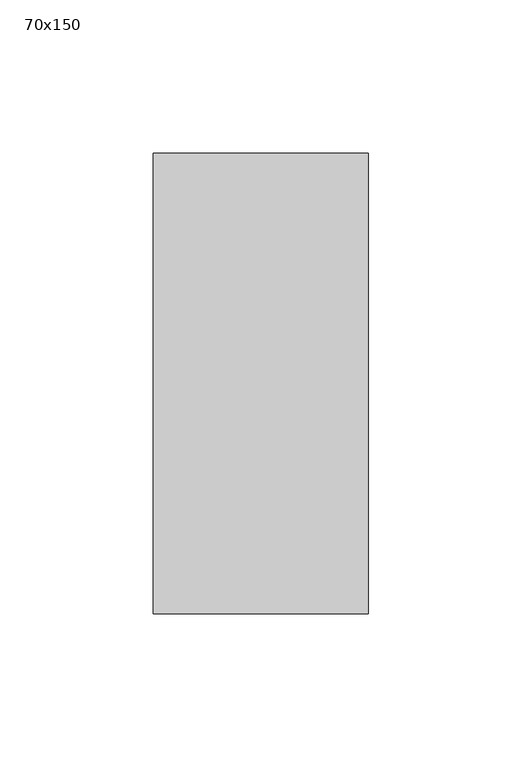
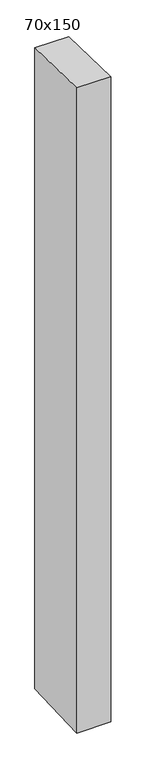
"""IFC4 building model written with IfcOpenShell, lengths in millimetres: member geometry, 70x150."""

import ifcopenshell
import ifcopenshell.guid

model = None  # the IFC model being written
_history = None  # IfcOwnerHistory: only IFC2X3 demands one
_inside = {}  # id of a spatial element -> (the spatial element, [elements in it])
_under = {}  # id of a project, library or spatial element -> (it, [spatial elements below it])
_declared = {}  # id of a project -> (the project, [libraries it declares])
_typed = {}  # id of a type object -> (the type object, [elements of that type])
_made_of = {}  # id of a material, layer set ... -> (it, [elements and type objects made of it])


def new_model(schema):
    """Start an empty IFC model of exactly this schema.

    Asked for "IFC4X3", IfcOpenShell would pick the latest addendum, in which some entities
    have other attributes; the version numbers below select the first issue.
    IFC2X3 requires an IfcOwnerHistory on every rooted entity: one is made here for all.
    """
    global model, _history
    if schema == "IFC4X3":
        model = ifcopenshell.file(schema_version=(4, 3, 0, 0))
    else:
        model = ifcopenshell.file(schema=schema)
    _inside.clear()
    _under.clear()
    _declared.clear()
    _typed.clear()
    _made_of.clear()
    _history = None
    if model.schema == "IFC2X3":
        org = make("IfcOrganization", Name="unknown")
        user = make(
            "IfcPersonAndOrganization",
            ThePerson=make("IfcPerson", FamilyName="unknown"),
            TheOrganization=org,
        )
        app = make(
            "IfcApplication",
            ApplicationDeveloper=org,
            Version="unknown",
            ApplicationFullName="unknown",
            ApplicationIdentifier="unknown",
        )
        _history = make(
            "IfcOwnerHistory",
            OwningUser=user,
            OwningApplication=app,
            ChangeAction="ADDED",
            CreationDate=0,
        )
    return model


def make(cls, **values):
    """One entity of the class cls with the attributes given. An attribute that is None is left unset."""
    return model.create_entity(
        cls, **{name: value for name, value in values.items() if value is not None}
    )


def rooted(cls, **values):
    """An entity with a GlobalId (a new one), such as an element, a storey or a relation."""
    return make(cls, GlobalId=ifcopenshell.guid.new(), OwnerHistory=_history, **values)


def si_unit(unit_type, name, prefix=None):
    """IfcSIUnit, for example si_unit("LENGTHUNIT", "METRE", prefix="MILLI")."""
    return make("IfcSIUnit", UnitType=unit_type, Prefix=prefix, Name=name)


def assignment(units):
    """IfcUnitAssignment: the units of a project."""
    return None if units is None else make("IfcUnitAssignment", Units=units)


def point(xyz):
    """IfcCartesianPoint."""
    return None if xyz is None else make("IfcCartesianPoint", Coordinates=xyz)


def direction(xyz):
    """IfcDirection."""
    return None if xyz is None else make("IfcDirection", DirectionRatios=xyz)


def frame(location, z_axis=None, x_axis=None):
    """IfcAxis2Placement3D, a coordinate frame: its origin and axes. An axis left out is left unset."""
    return make(
        "IfcAxis2Placement3D",
        Location=point(location),
        Axis=direction(z_axis),
        RefDirection=direction(x_axis),
    )


def origin():
    """The frame at (0, 0, 0) with its axes left unset."""
    return frame((0.0, 0.0, 0.0))


def place(relative_to, where):
    """IfcLocalPlacement: puts the frame where relative to a parent placement (None: the world)."""
    return make(
        "IfcLocalPlacement", PlacementRelTo=relative_to, RelativePlacement=where
    )


def context(
    kind, dimensions, precision=None, world=None, true_north=None, identifier=None
):
    """IfcGeometricRepresentationContext, for example the 3D "Model" context."""
    return make(
        "IfcGeometricRepresentationContext",
        ContextIdentifier=identifier,
        ContextType=kind,
        CoordinateSpaceDimension=dimensions,
        Precision=precision,
        WorldCoordinateSystem=world,
        TrueNorth=true_north,
    )


def project(units=None, contexts=None):
    """IfcProject with its units and contexts."""
    return rooted(
        "IfcProject",
        Name="project",
        RepresentationContexts=contexts,
        UnitsInContext=assignment(units),
    )


def spatial(cls, under=None, at=None, **own):
    """A site, building, storey or space (cls), placed at a placement, below another one or the project."""
    s = rooted(cls, ObjectPlacement=at, **own)
    if under is not None:
        _under.setdefault(under.id(), (under, []))[1].append(s)
    return s


def polyline(points):
    """IfcPolyline through the points."""
    return make("IfcPolyline", Points=[point(p) for p in points])


def outline(outer, holes=None, kind="AREA"):
    """IfcArbitraryClosedProfileDef: a profile drawn as a closed curve; with holes, ...WithVoids."""
    if holes is None:
        return make("IfcArbitraryClosedProfileDef", ProfileType=kind, OuterCurve=outer)
    return make(
        "IfcArbitraryProfileDefWithVoids",
        ProfileType=kind,
        OuterCurve=outer,
        InnerCurves=holes,
    )


def extrude(swept, where, along, depth):
    """IfcExtrudedAreaSolid: the profile swept, set in the frame where, extruded along a direction by depth."""
    return make(
        "IfcExtrudedAreaSolid",
        SweptArea=swept,
        Position=where,
        ExtrudedDirection=direction(along),
        Depth=depth,
    )


def shape(context_of_items, identifier, shape_type, items):
    """IfcShapeRepresentation: the items that make up one representation, for example the "Body"."""
    return make(
        "IfcShapeRepresentation",
        ContextOfItems=context_of_items,
        RepresentationIdentifier=identifier,
        RepresentationType=shape_type,
        Items=items,
    )


def source(mapping_origin, context_of_items, identifier, shape_type, items):
    """IfcRepresentationMap: a shape defined once, which mapped items show again and again."""
    return make(
        "IfcRepresentationMap",
        MappingOrigin=mapping_origin,
        MappedRepresentation=shape(context_of_items, identifier, shape_type, items),
    )


def transform(
    local_origin,
    x_axis=None,
    y_axis=None,
    z_axis=None,
    scale=None,
    scale2=None,
    scale3=None,
    uniform=True,
):
    """IfcCartesianTransformationOperator3D, or its non-uniform kind. x_axis, y_axis, z_axis: its Axis1, 2, 3."""
    if uniform:
        return make(
            "IfcCartesianTransformationOperator3D",
            Axis1=direction(x_axis),
            Axis2=direction(y_axis),
            LocalOrigin=point(local_origin),
            Scale=scale,
            Axis3=direction(z_axis),
        )
    return make(
        "IfcCartesianTransformationOperator3DnonUniform",
        Axis1=direction(x_axis),
        Axis2=direction(y_axis),
        LocalOrigin=point(local_origin),
        Scale=scale,
        Axis3=direction(z_axis),
        Scale2=scale2,
        Scale3=scale3,
    )


def mapped(mapping_source, mapping_target):
    """IfcMappedItem: shows the shape of a source again, moved by a transform."""
    return make(
        "IfcMappedItem", MappingSource=mapping_source, MappingTarget=mapping_target
    )


def made_of(thing, what):
    """Note that an element or type object is made of a material, layer set ...; save() writes the relation."""
    if what is not None:
        _made_of.setdefault(what.id(), (what, []))[1].append(thing)
    return thing


def element(
    cls,
    number,
    at=None,
    inside=None,
    cuts=None,
    type_object=None,
    material=None,
    context=None,
    identifier="Body",
    shape_type=None,
    held_by="IfcProductDefinitionShape",
    body=None,
    shapes=None,
    **own,
):
    """One element of the class cls, such as IfcWall. Its Tag is "e" and its number.

    at: its placement. inside: the storey or other place that contains it. cuts: it is an
    opening in that element (IfcRelVoidsElement). A single representation is given by context,
    identifier, shape_type and body (its items); several are given by shapes. held_by: the class
    of the entity that holds the representations. save() writes the other relations.
    """
    e = rooted(cls, Tag="e%d" % number, ObjectPlacement=at, **own)
    if body is not None:
        shapes = [shape(context, identifier, shape_type, body)]
    if shapes is not None:
        e.Representation = make(held_by, Representations=shapes)
    if inside is not None:
        _inside.setdefault(inside.id(), (inside, []))[1].append(e)
    if cuts is not None:
        rooted(
            "IfcRelVoidsElement", RelatingBuildingElement=cuts, RelatedOpeningElement=e
        )
    if type_object is not None:
        _typed.setdefault(type_object.id(), (type_object, []))[1].append(e)
    return made_of(e, material)


def aggregate(whole, parts):
    """IfcRelAggregates: a whole, such as a stair, and the parts it consists of."""
    return rooted("IfcRelAggregates", RelatingObject=whole, RelatedObjects=parts)


def save(model, path):
    """Write the relations noted so far, then the file.

    IfcRelAggregates (storeys below a building ...), IfcRelContainedInSpatialStructure (elements
    in a storey), IfcRelDefinesByType, IfcRelAssociatesMaterial and IfcRelDeclares: one each for
    every whole, place, type object, material and project.
    """
    for whole, parts in _under.values():
        aggregate(whole, parts)
    for where, things in _inside.values():
        rooted(
            "IfcRelContainedInSpatialStructure",
            RelatedElements=things,
            RelatingStructure=where,
        )
    for kind, things in _typed.values():
        rooted("IfcRelDefinesByType", RelatedObjects=things, RelatingType=kind)
    for what, things in _made_of.values():
        rooted("IfcRelAssociatesMaterial", RelatedObjects=things, RelatingMaterial=what)
    for by, libraries in _declared.values():
        rooted("IfcRelDeclares", RelatingContext=by, RelatedDefinitions=libraries)
    model.write(path)


def member_70x150_8b5809b1(model_context):
    return source(origin(), model_context, "Body", "SweptSolid", [
        extrude(outline(polyline([(-75.0, 1.8215042), (75.0, -1.8215042), (75.0, -1396.7781609), (-75.0, -1402.580161), (-75.0, 1.8215042)])), frame((-70.0, 0.0, 0.0), z_axis=(1.0, 0.0, 0.0), x_axis=(0.0, 1.0, 0.0)), (0.0, 0.0, 1.0), 70.0),
    ])


if __name__ == "__main__":
    model = new_model("IFC4")
    model_context = context("Model", 3, world=origin())
    ifc_project = project(units=[si_unit("LENGTHUNIT", "METRE", prefix="MILLI")], contexts=[model_context])
    site = spatial("IfcSite", under=ifc_project)
    building = spatial("IfcBuilding", under=site)
    placement = place(None, origin())
    member_70x150_shape = member_70x150_8b5809b1(model_context)
    element("IfcMember", 1, ObjectType="70x150", at=placement, inside=building, context=model_context, shape_type="MappedRepresentation", body=[
        mapped(member_70x150_shape, transform((0.0, 0.0, 0.0), x_axis=(1.0, 0.0, 0.0), y_axis=(0.0, 1.0, 0.0), z_axis=(0.0, 0.0, 1.0))),
    ])
    save(model, "model.ifc")
